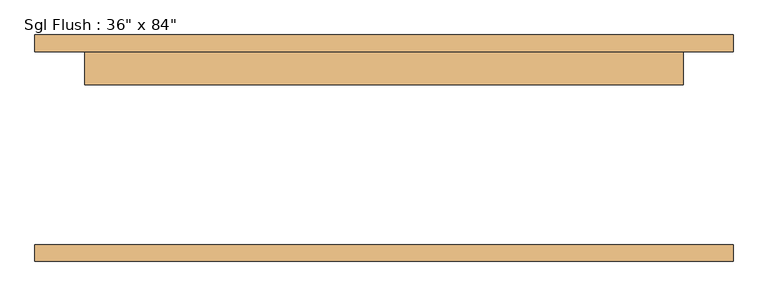
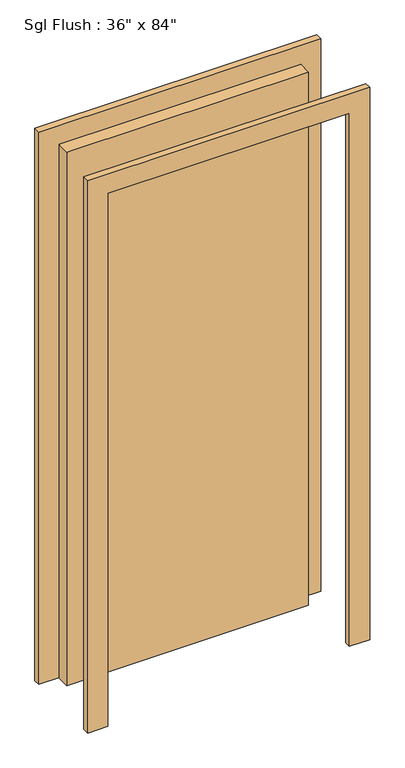
"""IFC4 building model written with IfcOpenShell, lengths in millimetres: door geometry."""

from ifc_helpers import new_model, si_unit, frame, origin, origin_with_axes, place, context, project, spatial, polyline, outline, extrude, source, transform, mapped, element, save


def door_7b231ec9(model_context):
    return source(origin(), model_context, "Body", "SweptSolid", [
        extrude(outline(polyline([(2209.8, -533.4), (0.0, -533.4), (0.0, -457.2), (2133.6, -457.2), (2133.6, 457.2), (0.0, 457.2), (0.0, 533.4), (2209.8, 533.4), (2209.8, -533.4)])), frame((0.0, 147.6375, 0.0), z_axis=(0.0, 1.0, 0.0), x_axis=(0.0, 0.0, 1.0)), (0.0, 0.0, 1.0), 25.4),
        extrude(outline(polyline([(2209.8, 533.4), (2209.8, -533.4), (0.0, -533.4), (0.0, -457.2), (2133.6, -457.2), (2133.6, 457.2), (0.0, 457.2), (0.0, 533.4), (2209.8, 533.4)])), frame((0.0, -173.0375, 0.0), z_axis=(0.0, 1.0, 0.0), x_axis=(0.0, 0.0, 1.0)), (0.0, 0.0, 1.0), 25.4),
        extrude(outline(polyline([(457.2, 96.8375), (-457.2, 96.8375), (-457.2, 147.6375), (457.2, 147.6375), (457.2, 96.8375)])), origin_with_axes(), (0.0, 0.0, 1.0), 2133.6),
    ])


if __name__ == "__main__":
    model = new_model("IFC4")
    model_context = context("Model", 3, world=origin())
    ifc_project = project(units=[si_unit("LENGTHUNIT", "METRE", prefix="MILLI")], contexts=[model_context])
    site = spatial("IfcSite", under=ifc_project)
    building = spatial("IfcBuilding", under=site)
    placement = place(None, origin())
    door_shape = door_7b231ec9(model_context)
    element("IfcDoor", 1, ObjectType="Sgl Flush : 36\" x 84\"", at=placement, inside=building, context=model_context, shape_type="MappedRepresentation", body=[
        mapped(door_shape, transform((0.0, 0.0, 0.0), x_axis=(1.0, 0.0, 0.0), y_axis=(0.0, 1.0, 0.0), z_axis=(0.0, 0.0, 1.0))),
    ])
    save(model, "model.ifc")
